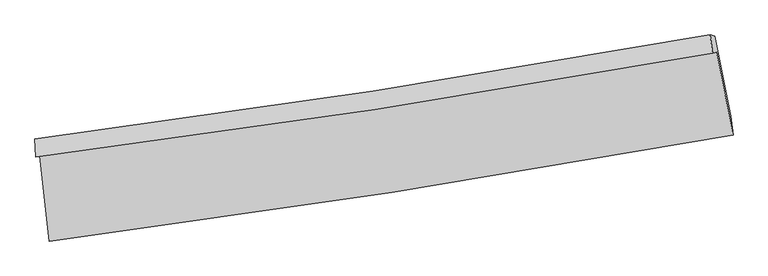
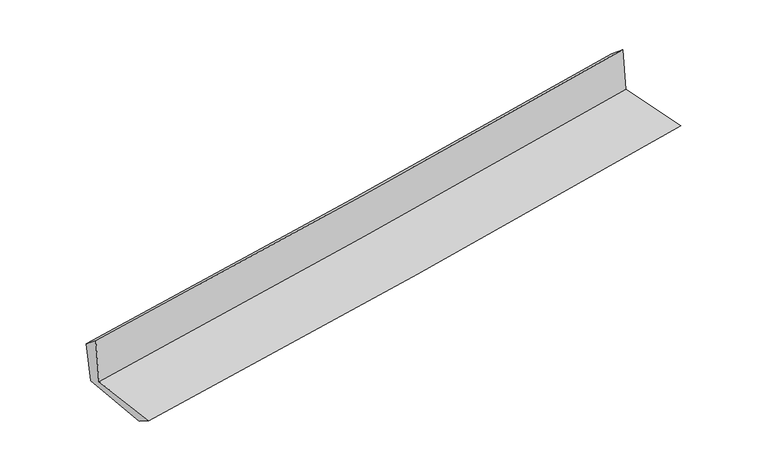
"""IFC4 building model written with IfcOpenShell, lengths in millimetres: proxy geometry."""

from ifc_helpers import new_model, si_unit, frame, origin, place, context, project, spatial, source, transform, mapped, element, save
from ifc_brep_helpers import plane_surface, spline_curve, spline_surface, advanced_brep


def generic_models_0c15910b(model_context):
    return source(origin(), model_context, "Body", "AdvancedBrep", [
        advanced_brep(
        [(-2690.9646691, -1893.3126549, 1628.6325586), (-2619.4330371, -2566.6291586, 1633.3209154), (2769.9145077, -1731.0191418, 2112.9697131), (2640.9275521, -1075.0327505, 2116.3381497), (-2724.5295516, -1902.0437727, 2043.6804398), (2608.2089437, -1083.54373, 2520.9213946), (-2730.6023794, -1759.8697819, 1934.031305), (2589.9790125, -938.8714839, 2401.4596192), (-2698.7793339, -1772.1662317, 1566.9631521), (2624.4487795, -951.2374274, 2024.4628372), (-2627.2682233, -2424.4465017, 1544.8640034), (2749.5089435, -1580.9210014, 2006.580198)],
        [
            (0, 1),
            (1, 2, spline_curve(3, [(-2619.4330371, -2566.6291586, 1633.3209154), (-1718.909525545, -2449.66004114, 1720.828674921), (-819.397940426, -2321.516513346, 1804.564398543), (977.049999664, -2042.96613033, 1964.442702779), (1873.98759605, -1892.572986154, 2040.589911863), (2769.9145077, -1731.0191418, 2112.9697131)], [4, 2, 4], [0.0, 8.936754307395004, 17.86802444574893])),
            (2, 3),
            (3, 0, spline_curve(3, [(2640.9275521, -1075.0327505, 2116.3381497), (1755.464855635, -1236.01803883, 2046.99250486), (868.545977313, -1384.683527852, 1971.691852387), (-908.74964072, -1657.458630638, 1809.130637479), (-1799.128169785, -1781.553109335, 1721.862759622), (-2690.9646691, -1893.3126549, 1628.6325586)], [4, 2, 4], [0.0, 8.931270138353925, 17.86802444574893])),
            (4, 0),
            (3, 5),
            (5, 4, spline_curve(3, [(2608.2089437, -1083.54373, 2520.9213946), (1722.61861524, -1244.562218676, 2453.153986245), (835.565422223, -1393.262646885, 2379.51421208), (-942.01227941, -1666.111126526, 2220.441107579), (-1832.538584573, -1790.244045939, 2135.000563703), (-2724.5295516, -1902.0437727, 2043.6804398)], [4, 2, 4], [0.0, 8.883442658631198, 17.772340118253965])),
            (6, 4),
            (5, 7),
            (7, 6, spline_curve(3, [(2589.9790125, -938.8714839, 2401.4596192), (1706.677488861, -1098.545103086, 2332.431516787), (821.781519556, -1246.780950427, 2258.97842007), (-951.743652514, -1520.461100646, 2103.174417763), (-1840.374813667, -1645.891352675, 2020.818076354), (-2730.6023794, -1759.8697819, 1934.031305)], [4, 2, 4], [0.0, 8.87306443977254, 17.751577307881284])),
            (8, 6),
            (7, 9),
            (9, 8, spline_curve(3, [(2624.4487795, -951.2374274, 2024.4628372), (1741.264204821, -1111.140012075, 1950.401907458), (856.20630306, -1259.484589358, 1875.25850264), (-918.200766896, -1533.141722851, 1722.759937519), (-1807.552236372, -1658.440079899, 1645.403447282), (-2698.7793339, -1772.1662317, 1566.9631521)], [4, 2, 4], [0.0, 8.864118708848869, 17.73368035298538])),
            (10, 8),
            (9, 11),
            (11, 10, spline_curve(3, [(2749.5089435, -1580.9210014, 2006.580198), (1856.003485083, -1740.378305021, 1931.595851793), (961.323875343, -1890.382075843, 1855.63943687), (-830.933737982, -2171.568856013, 1701.735233062), (-1728.513183652, -2302.740251765, 1623.786249672), (-2627.2682233, -2424.4465017, 1544.8640034)], [4, 2, 4], [0.0, 8.91162283836737, 17.8287177815215])),
            (1, 10),
            (11, 2),
        ],
        [
            spline_surface(3, 3, [[(-2690.9646691, -1893.3126549, 1628.6325586), (-1799.128169789, -1781.55310938, 1721.862759661), (-908.749640798, -1657.458630499, 1809.130637492), (868.54597739, -1384.683527991, 1971.691852374), (1755.464855503, -1236.018038734, 2046.992504905), (2640.9275521, -1075.0327505, 2116.3381497)], [(-2667.120791772, -2117.751489466, 1630.19534418), (-1772.388621707, -2004.255419983, 1721.518064717), (-878.965740658, -1878.811258051, 1807.608557797), (904.713984802, -1604.111062135, 1969.275469206), (1794.972435705, -1454.869687883, 2044.858307223), (2683.92320397, -1293.694880932, 2115.215337483)], [(-2643.276914428, -2342.190324034, 1631.75812982), (-1745.649073608, -2226.957730587, 1721.173369834), (-849.181840523, -2100.163885653, 1806.086478124), (940.881992209, -1823.538596327, 1966.859086061), (1834.480015896, -1673.721337034, 2042.724109591), (2726.91885583, -1512.357011368, 2114.092525317)], [(-2619.4330371, -2566.6291586, 1633.3209154), (-1718.909525527, -2449.660041189, 1720.82867489), (-819.397940383, -2321.516513205, 1804.564398429), (977.049999622, -2042.966130471, 1964.442702893), (1873.987596097, -1892.572986183, 2040.589911909), (2769.9145077, -1731.0191418, 2112.9697131)]], [4, 4], [4, 2, 4], [0.0, 2.1934295122365373], [0.0, 8.936754307395004, 17.86802444574893]),
            spline_surface(3, 3, [[(-2724.5295516, -1902.0437727, 2043.6804398), (-1832.538584532, -1790.244046012, 2135.000563711), (-942.012279272, -1666.111126623, 2220.44110768), (835.565422085, -1393.262646788, 2379.51421198), (1722.61861527, -1244.562218666, 2453.153986281), (2608.2089437, -1083.54373, 2520.9213946)], [(-2713.341257441, -1899.133400078, 1905.331146076), (-1821.401779625, -1787.347067113, 1997.287962371), (-930.924733137, -1663.22696124, 2083.337617629), (846.558940497, -1390.402940514, 2243.573425456), (1733.567361994, -1241.714158697, 2317.766825836), (2619.11514648, -1080.706736842, 2386.060312981)], [(-2702.152963259, -1896.223027522, 1766.981852324), (-1810.264974696, -1784.45008828, 1859.575361001), (-919.837186933, -1660.342795882, 1946.234127542), (857.552458978, -1387.543234265, 2107.632638897), (1744.516108779, -1238.866098703, 2182.379665349), (2630.02134932, -1077.869743658, 2251.199231319)], [(-2690.9646691, -1893.3126549, 1628.6325586), (-1799.128169789, -1781.55310938, 1721.862759661), (-908.749640798, -1657.458630499, 1809.130637492), (868.54597739, -1384.683527991, 1971.691852374), (1755.464855503, -1236.018038734, 2046.992504905), (2640.9275521, -1075.0327505, 2116.3381497)]], [4, 4], [4, 2, 4], [0.0, 1.3484084476938993], [0.0, 8.888897459622767, 17.772340118253965]),
            spline_surface(3, 3, [[(-2730.6023794, -1759.8697819, 1934.031305), (-1840.374813699, -1645.89135268, 2020.81807647), (-951.743652431, -1520.46110062, 2103.174417852), (821.781519473, -1246.780950453, 2258.978419981), (1706.677488873, -1098.545103163, 2332.431516688), (2589.9790125, -938.8714839, 2401.4596192)], [(-2728.578103457, -1807.261112182, 1970.581016599), (-1837.7627373, -1694.008917139, 2058.87890555), (-948.499861364, -1569.0111093, 2142.263314467), (826.37615369, -1295.608182577, 2299.15701732), (1711.991197693, -1147.217474976, 2372.672339894), (2596.055656254, -987.095565912, 2441.280211009)], [(-2726.553827543, -1854.652442418, 2007.130728201), (-1835.150660931, -1742.126481553, 2096.939734632), (-945.256070338, -1617.561117943, 2181.352211065), (830.970787868, -1344.435414664, 2339.335614641), (1717.30490645, -1195.889846853, 2412.913163075), (2602.132299946, -1035.319647988, 2481.100802791)], [(-2724.5295516, -1902.0437727, 2043.6804398), (-1832.538584532, -1790.244046012, 2135.000563711), (-942.012279272, -1666.111126623, 2220.44110768), (835.565422085, -1393.262646788, 2379.51421198), (1722.61861527, -1244.562218666, 2453.153986281), (2608.2089437, -1083.54373, 2520.9213946)]], [4, 4], [4, 2, 4], [0.0, 0.6191201359687624], [0.0, 8.878512868108745, 17.751577307881284]),
            spline_surface(3, 3, [[(-2698.7793339, -1772.1662317, 1566.9631521), (-1807.552236231, -1658.440080025, 1645.403447194), (-918.200766835, -1533.141722767, 1722.759937445), (856.206302999, -1259.484589441, 1875.258502714), (1741.264204722, -1111.140011958, 1950.40190747), (2624.4487795, -951.2374274, 2024.4628372)], [(-2709.387015734, -1768.067415094, 1689.31920308), (-1818.493095388, -1654.257170904, 1770.541656966), (-929.381728704, -1528.914848731, 1849.564764228), (844.731375153, -1255.250043124, 2003.165141784), (1729.735299413, -1106.941709043, 2077.745110532), (2612.958857141, -947.115446249, 2150.128431189)], [(-2719.994697566, -1763.968598506, 1811.67525402), (-1829.433954542, -1650.074261801, 1895.679866698), (-940.562690562, -1524.687974656, 1976.369591069), (833.256447319, -1251.01549677, 2131.071780911), (1718.206394181, -1102.743406079, 2205.088313626), (2601.468934859, -942.993465051, 2275.794025211)], [(-2730.6023794, -1759.8697819, 1934.031305), (-1840.374813699, -1645.89135268, 2020.81807647), (-951.743652431, -1520.46110062, 2103.174417852), (821.781519473, -1246.780950453, 2258.978419981), (1706.677488873, -1098.545103163, 2332.431516688), (2589.9790125, -938.8714839, 2401.4596192)]], [4, 4], [4, 2, 4], [0.0, 1.2591354926829674], [0.0, 8.869561644136512, 17.73368035298538]),
            spline_surface(3, 3, [[(-2627.2682233, -2424.4465017, 1544.8640034), (-1728.513183766, -2302.740251811, 1623.786249551), (-830.933737927, -2171.568855954, 1701.735232933), (961.323875287, -1890.382075902, 1855.639436998), (1856.003485026, -1740.378304995, 1931.595851792), (2749.5089435, -1580.9210014, 2006.580198)], [(-2651.105260155, -2207.019745046, 1552.2303863), (-1754.859534576, -2087.973527895, 1630.991982098), (-860.022747562, -1958.759811554, 1708.743467786), (926.284684525, -1680.082913745, 1862.179125586), (1817.757058266, -1530.632207316, 1937.864537019), (2707.822222175, -1371.026476734, 2012.541077735)], [(-2674.942297045, -1989.592988354, 1559.5967692), (-1781.205885421, -1873.206803941, 1638.197714646), (-889.111757199, -1745.950767167, 1715.751702592), (891.245493761, -1469.783751599, 1868.718814127), (1779.510631481, -1320.886109637, 1944.133222243), (2666.135500825, -1161.131952066, 2018.501957465)], [(-2698.7793339, -1772.1662317, 1566.9631521), (-1807.552236231, -1658.440080025, 1645.403447194), (-918.200766835, -1533.141722767, 1722.759937445), (856.206302999, -1259.484589441, 1875.258502714), (1741.264204722, -1111.140011958, 1950.40190747), (2624.4487795, -951.2374274, 2024.4628372)]], [4, 4], [4, 2, 4], [0.0, 2.107065836621775], [0.0, 8.917094943154131, 17.8287177815215]),
            spline_surface(3, 3, [[(-2619.4330371, -2566.6291586, 1633.3209154), (-1718.909525527, -2449.660041189, 1720.82867489), (-819.397940383, -2321.516513205, 1804.564398429), (977.049999622, -2042.966130471, 1964.442702893), (1873.987596097, -1892.572986183, 2040.589911909), (2769.9145077, -1731.0191418, 2112.9697131)], [(-2622.044765841, -2519.234939633, 1603.835278065), (-1722.110744947, -2400.686778063, 1688.481199776), (-823.24320622, -2271.533960792, 1770.288009923), (971.807958188, -1992.104778952, 1928.174947588), (1867.99289242, -1841.841425784, 2004.25855854), (2763.11265298, -1680.98642833, 2077.506541404)], [(-2624.656494559, -2471.840720667, 1574.349640735), (-1725.311964345, -2351.713514937, 1656.133724665), (-827.08847209, -2221.551408367, 1736.011621439), (966.565916721, -1941.243427421, 1891.907192303), (1861.998188703, -1791.109865394, 1967.927205161), (2756.31079822, -1630.95371487, 2042.043369696)], [(-2627.2682233, -2424.4465017, 1544.8640034), (-1728.513183766, -2302.740251811, 1623.786249551), (-830.933737927, -2171.568855954, 1701.735232933), (961.323875287, -1890.382075902, 1855.639436998), (1856.003485026, -1740.378304995, 1931.595851792), (2749.5089435, -1580.9210014, 2006.580198)]], [4, 4], [4, 2, 4], [0.0, 0.6072972501606244], [0.0, 8.973891135401061, 17.942275312207315]),
            plane_surface(frame((2663.8312898, -1226.7709225, 2197.1219853), z_axis=(0.9778967277077051, 0.19185755128931506, 0.08311840922341146), x_axis=(-0.09100418169333654, 0.032647524485955114, 0.995315215426382))),
            plane_surface(frame((-2681.9295324, -2053.0780169, 1725.248729), z_axis=(-0.9909648475052372, -0.105851398890133, -0.08236596604134526), x_axis=(-0.10564072355051185, 0.9943802574733877, -0.006923949370381207))),
        ],
        [
            (0, [[1, 2, 3, 4]]),
            (1, [[5, -4, 6, 7]]),
            (2, [[8, -7, 9, 10]]),
            (3, [[11, -10, 12, 13]]),
            (4, [[14, -13, 15, 16]]),
            (5, [[17, -16, 18, -2]]),
            (6, [[-12, -9, -6, -3, -18, -15]]),
            (7, [[-1, -5, -8, -11, -14, -17]]),
        ],
    ),
    ])


if __name__ == "__main__":
    model = new_model("IFC4")
    model_context = context("Model", 3, world=origin())
    ifc_project = project(units=[si_unit("LENGTHUNIT", "METRE", prefix="MILLI")], contexts=[model_context])
    site = spatial("IfcSite", under=ifc_project)
    building = spatial("IfcBuilding", under=site)
    placement = place(None, origin())
    generic_models_shape = generic_models_0c15910b(model_context)
    element("IfcBuildingElementProxy", 1, Name="Generic Models", at=placement, inside=building, context=model_context, shape_type="MappedRepresentation", body=[
        mapped(generic_models_shape, transform((0.0, 0.0, 0.0), x_axis=(1.0, 0.0, 0.0), y_axis=(0.0, 1.0, 0.0), z_axis=(0.0, 0.0, 1.0))),
    ])
    save(model, "model.ifc")
